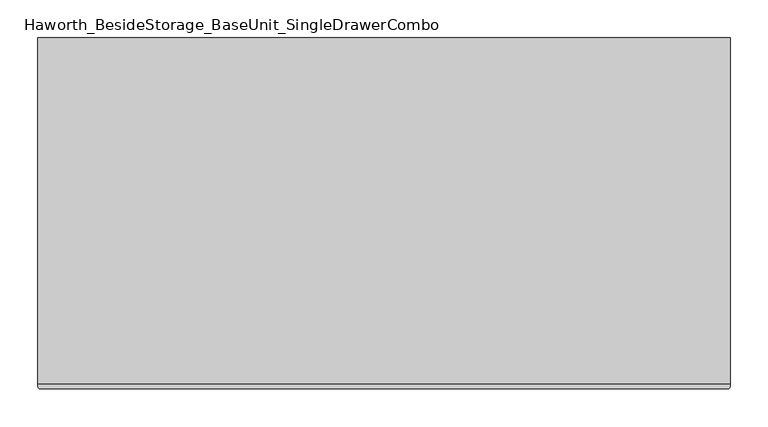
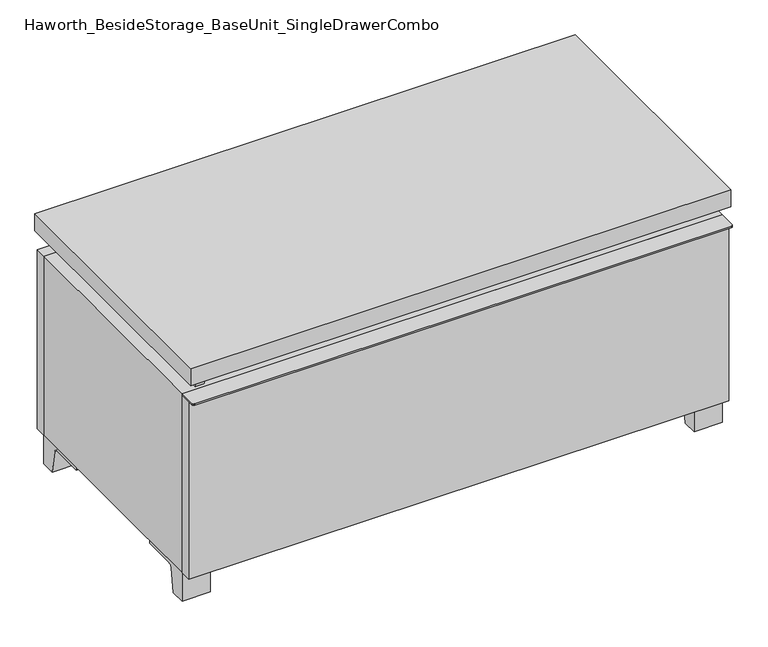
"""IFC4 building model written with IfcOpenShell, lengths in millimetres: furniture geometry, Haworth_BesideStorage_BaseUnit_SingleDrawerCombo."""

from ifc_helpers import new_model, si_unit, point, frame, frame_2d, origin, place, context, project, spatial, polyline, circle_curve, trimmed, segment, composite_curve, outline, extrude, source, transform, mapped, element, save


def haworth_besidestorage_baseunit_singledrawercombo_ffd7aeef(model_context):
    return source(origin(), model_context, "Body", "SweptSolid", [
        extrude(outline(composite_curve([segment(polyline([(457.2138906, -139.7), (457.2138906, -168.275)]), True, "CONTINUOUS"), segment(trimmed(circle_curve(frame_2d((454.0388906, -168.275)), 3.175), [point((457.2138906, -168.275))], [point((454.0388906, -171.45))], False, "CARTESIAN"), True, "CONTINUOUS"), segment(polyline([(454.0388906, -171.45), (-454.0111094, -171.45)]), True, "CONTINUOUS"), segment(trimmed(circle_curve(frame_2d((-454.0111094, -168.275)), 3.175), [point((-454.0111094, -171.45))], [point((-457.1861094, -168.275))], False, "CARTESIAN"), True, "CONTINUOUS"), segment(polyline([(-457.1861094, -168.275), (-457.1861094, -139.7), (457.2138906, -139.7)]), True, "CONTINUOUS")], self_intersect=False)), frame((0.0, 0.0, 369.09375), z_axis=(0.0, 0.0, 1.0), x_axis=(1.0, 0.0, 0.0)), (0.0, 0.0, 1.0), 2.38125),
        extrude(outline(polyline([(457.2138906, -139.7), (457.2138906, -158.75), (-457.1861094, -158.75), (-457.1861094, -139.7), (457.2138906, -139.7)])), frame((0.0, 0.0, 50.8), z_axis=(0.0, 0.0, 1.0), x_axis=(1.0, 0.0, 0.0)), (0.0, 0.0, 1.0), 318.29375),
        extrude(outline(polyline([(457.2138906, 292.1), (457.2138906, -165.1), (-457.1861094, -165.1), (-457.1861094, 292.1), (457.2138906, 292.1)])), frame((0.0, 0.0, 401.6375), z_axis=(0.0, 0.0, 1.0), x_axis=(1.0, 0.0, 0.0)), (0.0, 0.0, 1.0), 30.1625),
        extrude(outline(composite_curve([segment(polyline([(-114.3000136, 0.0), (-139.7, 0.0), (-139.7, 50.8), (-44.45, 50.8), (-44.45, 46.0213321), (-101.2505345, 46.0213321)]), True, "CONTINUOUS"), segment(trimmed(circle_curve(frame_2d((-101.2505345, 39.6713321)), 6.35), [point((-101.2505345, 46.0213321))], [point((-107.5141359, 40.7152656))], True, "CARTESIAN"), True, "CONTINUOUS"), segment(polyline([(-107.5141359, 40.7152656), (-114.3000136, 0.0)]), True, "CONTINUOUS")], self_intersect=False)), frame((409.5888906, 0.0, 0.0), z_axis=(1.0, 0.0, 0.0), x_axis=(0.0, 1.0, 0.0)), (0.0, 0.0, 1.0), 47.625),
        extrude(outline(composite_curve([segment(polyline([(241.3000136, 0.0), (234.5141359, 40.7152656)]), True, "CONTINUOUS"), segment(trimmed(circle_curve(frame_2d((228.2505345, 39.6713321)), 6.35), [point((234.5141359, 40.7152656))], [point((228.2505345, 46.0213321))], True, "CARTESIAN"), True, "CONTINUOUS"), segment(polyline([(228.2505345, 46.0213321), (171.45, 46.0213321), (171.45, 50.8), (266.7, 50.8), (266.7, 0.0), (241.3000136, 0.0)]), True, "CONTINUOUS")], self_intersect=False)), frame((409.5888906, 0.0, 0.0), z_axis=(1.0, 0.0, 0.0), x_axis=(0.0, 1.0, 0.0)), (0.0, 0.0, 1.0), 47.625),
        extrude(outline(composite_curve([segment(polyline([(-114.3000136, 0.0), (-139.7, 0.0), (-139.7, 50.8), (-44.45, 50.8), (-44.45, 46.0213321), (-101.2505345, 46.0213321)]), True, "CONTINUOUS"), segment(trimmed(circle_curve(frame_2d((-101.2505345, 39.6713321)), 6.35), [point((-101.2505345, 46.0213321))], [point((-107.5141359, 40.7152656))], True, "CARTESIAN"), True, "CONTINUOUS"), segment(polyline([(-107.5141359, 40.7152656), (-114.3000136, 0.0)]), True, "CONTINUOUS")], self_intersect=False)), frame((-457.1861094, 0.0, 0.0), z_axis=(1.0, 0.0, 0.0), x_axis=(0.0, 1.0, 0.0)), (0.0, 0.0, 1.0), 47.625),
        extrude(outline(composite_curve([segment(polyline([(241.3000136, 0.0), (234.5141359, 40.7152656)]), True, "CONTINUOUS"), segment(trimmed(circle_curve(frame_2d((228.2505345, 39.6713321)), 6.35), [point((234.5141359, 40.7152656))], [point((228.2505345, 46.0213321))], True, "CARTESIAN"), True, "CONTINUOUS"), segment(polyline([(228.2505345, 46.0213321), (171.45, 46.0213321), (171.45, 50.8), (266.7, 50.8), (266.7, 0.0), (241.3000136, 0.0)]), True, "CONTINUOUS")], self_intersect=False)), frame((-457.1861094, 0.0, 0.0), z_axis=(1.0, 0.0, 0.0), x_axis=(0.0, 1.0, 0.0)), (0.0, 0.0, 1.0), 47.625),
        extrude(outline(polyline([(-431.7791641, -133.35), (-431.7791641, 234.95), (-415.9041641, 234.95), (-415.9041641, 73.025), (415.9111094, 73.025), (415.9111094, 247.65), (431.7861094, 247.65), (431.7861094, -120.65), (415.9111094, -120.65), (415.9111094, 53.975), (-415.9041641, 53.975), (-415.9041641, -133.35), (-431.7791641, -133.35)])), frame((0.0, 0.0, 371.475), z_axis=(0.0, 0.0, 1.0), x_axis=(1.0, 0.0, 0.0)), (0.0, 0.0, 1.0), 30.1625),
        extrude(outline(polyline([(457.2138906, 266.7), (-457.1861094, 266.7), (-457.1861094, 285.75), (457.2138906, 285.75), (457.2138906, 266.7)])), frame((0.0, 0.0, 50.8), z_axis=(0.0, 0.0, 1.0), x_axis=(1.0, 0.0, 0.0)), (0.0, 0.0, 1.0), 320.675),
        extrude(outline(polyline([(50.8, -457.1861094), (50.8, 457.2), (371.475, 457.2), (371.475, -457.1861094), (50.8, -457.1861094)]), holes=[polyline([(69.85, -438.1361094), (352.425, -438.1361094), (352.425, 438.1361094), (69.85, 438.1361094), (69.85, -438.1361094)])]), frame((0.0, -139.7, 0.0), z_axis=(0.0, 1.0, 0.0), x_axis=(0.0, 0.0, 1.0)), (0.0, 0.0, 1.0), 406.4),
        extrude(outline(polyline([(-438.1291641, 234.95), (-438.1291641, 241.3), (438.1569453, 241.3), (438.1569453, 234.95), (-438.1291641, 234.95)])), frame((0.0, 0.0, 69.85), z_axis=(0.0, 0.0, 1.0), x_axis=(1.0, 0.0, 0.0)), (0.0, 0.0, 1.0), 282.575),
    ])


if __name__ == "__main__":
    model = new_model("IFC4")
    model_context = context("Model", 3, world=origin())
    ifc_project = project(units=[si_unit("LENGTHUNIT", "METRE", prefix="MILLI")], contexts=[model_context])
    site = spatial("IfcSite", under=ifc_project)
    building = spatial("IfcBuilding", under=site)
    placement = place(None, origin())
    haworth_besidestorage_baseunit_singledrawercombo_shape = haworth_besidestorage_baseunit_singledrawercombo_ffd7aeef(model_context)
    element("IfcFurniture", 1, ObjectType="Haworth_BesideStorage_BaseUnit_SingleDrawerCombo", at=placement, inside=building, context=model_context, shape_type="MappedRepresentation", body=[
        mapped(haworth_besidestorage_baseunit_singledrawercombo_shape, transform((0.0, 0.0, 0.0), x_axis=(1.0, 0.0, 0.0), y_axis=(0.0, 1.0, 0.0), z_axis=(0.0, 0.0, 1.0))),
    ])
    save(model, "model.ifc")
